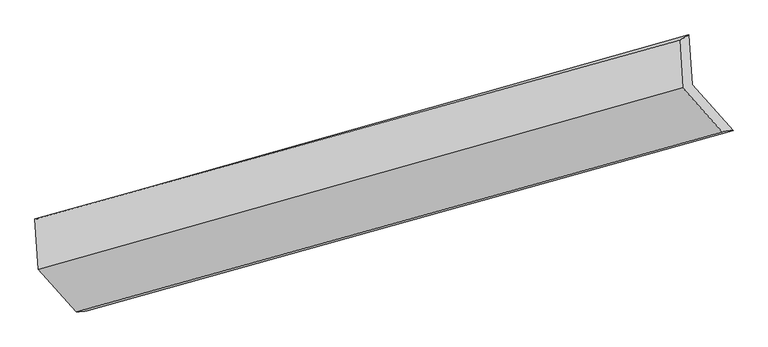
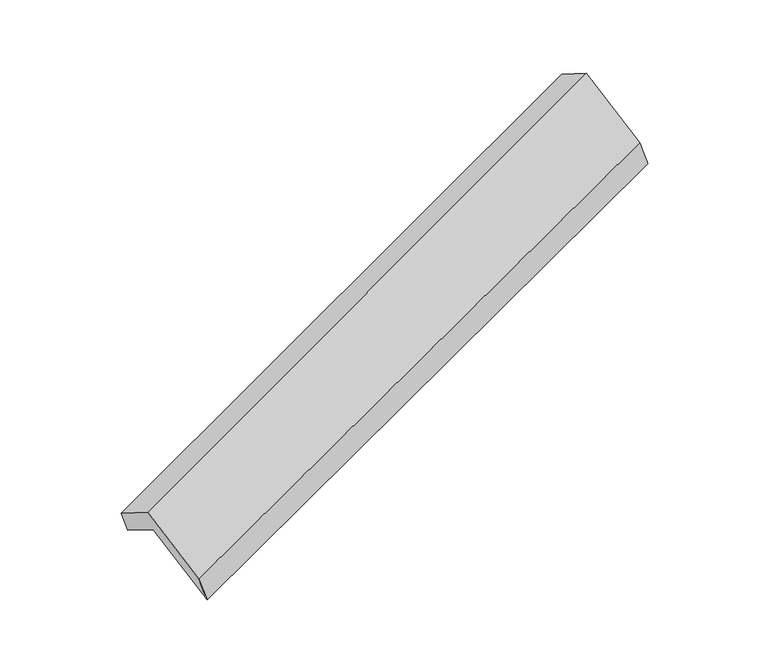
"""IFC4 building model written with IfcOpenShell, lengths in millimetres: proxy geometry."""

from ifc_helpers import new_model, si_unit, frame, origin, place, context, project, spatial, source, transform, mapped, element, save
from ifc_brep_helpers import plane_surface, spline_surface, advanced_brep


def generic_models_006f49d1(model_context):
    return source(origin(), model_context, "Body", "AdvancedBrep", [
        advanced_brep(
        [(-5087.0852355, -2115.3566263, 1285.8540386), (-5107.8719334, -1787.72568, 1086.360005), (-758.9960182, -558.0591207, 2652.7128588), (-737.6682128, -894.2187692, 2857.4000074), (-5168.0569471, -1800.3502394, 1266.4594765), (-822.5709719, -594.278385, 2860.9948301), (-5146.4965121, -2140.1764964, 1473.3792179), (-802.3057125, -913.6906442, 3055.4845163), (-4890.1325539, -2427.3719112, 975.0030814), (-534.1412742, -1214.1057167, 2534.1680347), (-4815.5438118, -2419.5548154, 757.9726365), (-461.3619786, -1203.7548058, 2320.2557283)],
        [
            (0, 1),
            (1, 2),
            (2, 3),
            (3, 0),
            (1, 4),
            (4, 5),
            (5, 2),
            (4, 6),
            (6, 7),
            (7, 5),
            (6, 8),
            (8, 9),
            (9, 7),
            (8, 10),
            (10, 11),
            (11, 9),
            (10, 0),
            (3, 11),
        ],
        [
            plane_surface(frame((-5097.4785845, -1951.5411531, 1186.1070218), z_axis=(0.41280054713102443, -0.4544446970427751, -0.7893514588686255), x_axis=(-0.05411074733896853, 0.8528702089817226, -0.519311499635711))),
            spline_surface(1, 1, [[(-5107.8719334, -1787.72568, 1086.360005), (-758.9960182, -558.0591207, 2652.7128588)], [(-5168.0569471, -1800.3502394, 1266.4594765), (-822.5709719, -594.278385, 2860.9948301)]], [2, 2], [2, 2], [0.0, 1.0], [0.0, 1.0]),
            plane_surface(frame((-5157.2767296, -1970.2633679, 1369.9193472), z_axis=(-0.41525545088991744, 0.4537484761354268, 0.7884638424880303), x_axis=(0.05411074733896964, -0.8528702089817226, 0.5193114996357109))),
            plane_surface(frame((-5018.314533, -2283.7742038, 1224.1911497), z_axis=(0.052082394486922534, -0.8534336191868483, 0.5185927899866585), x_axis=(0.4070897971292099, -0.45604820579318306, -0.7913898729868342))),
            spline_surface(1, 1, [[(-4890.1325539, -2427.3719112, 975.0030814), (-534.1412742, -1214.1057167, 2534.1680347)], [(-4815.5438118, -2419.5548154, 757.9726365), (-461.3619786, -1203.7548058, 2320.2557283)]], [2, 2], [2, 2], [0.0, 1.0], [0.0, 1.0]),
            plane_surface(frame((-4951.3145237, -2267.4557209, 1021.9133375), z_axis=(-0.0522043433264299, 0.8533998671101841, -0.5186360702401795), x_axis=(-0.40708979712921595, 0.45604820579318667, 0.7913898729868288))),
            plane_surface(frame((-686.174028, -896.3512403, 2713.5026626), z_axis=(0.911783924016933, 0.2542291104973455, 0.322517651113877), x_axis=(0.3217601199048233, 0.04576178288626128, -0.9457146950671246))),
            plane_surface(frame((-5035.864499, -2115.0892948, 1140.838076), z_axis=(-0.911783924016943, -0.25422911049716757, -0.32251765111398895), x_axis=(0.4070897971292191, -0.4560482057931866, -0.7913898729868273))),
        ],
        [
            (0, [[1, 2, 3, 4]]),
            (1, [[5, 6, 7, -2]]),
            (2, [[8, 9, 10, -6]]),
            (3, [[11, 12, 13, -9]]),
            (4, [[14, 15, 16, -12]]),
            (5, [[17, -4, 18, -15]]),
            (6, [[-16, -18, -3, -7, -10, -13]]),
            (7, [[-17, -14, -11, -8, -5, -1]]),
        ],
    ),
    ])


if __name__ == "__main__":
    model = new_model("IFC4")
    model_context = context("Model", 3, world=origin())
    ifc_project = project(units=[si_unit("LENGTHUNIT", "METRE", prefix="MILLI")], contexts=[model_context])
    site = spatial("IfcSite", under=ifc_project)
    building = spatial("IfcBuilding", under=site)
    placement = place(None, origin())
    generic_models_shape = generic_models_006f49d1(model_context)
    element("IfcBuildingElementProxy", 1, Name="Generic Models", at=placement, inside=building, context=model_context, shape_type="MappedRepresentation", body=[
        mapped(generic_models_shape, transform((0.0, 0.0, 0.0), x_axis=(1.0, 0.0, 0.0), y_axis=(0.0, 1.0, 0.0), z_axis=(0.0, 0.0, 1.0))),
    ])
    save(model, "model.ifc")
